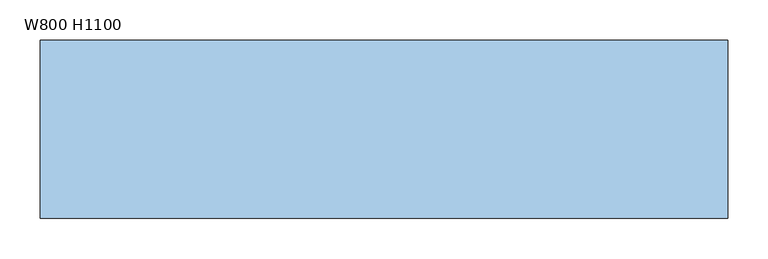
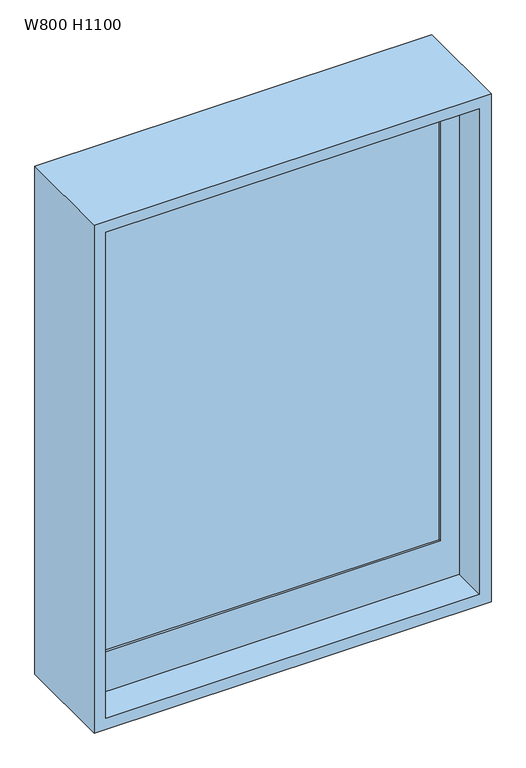
"""IFC4 building model written with IfcOpenShell, lengths in millimetres: window geometry, W800 H1100."""

from ifc_helpers import new_model, si_unit, frame, origin, place, context, project, spatial, polyline, outline, extrude, source, transform, mapped, element, save


def w800_h1100_2b598eca(model_context):
    return source(origin(), model_context, "Body", "SweptSolid", [
        extrude(outline(polyline([(-285.0, -30.0), (-285.0, -25.0), (435.0, -25.0), (435.0, -30.0), (-285.0, -30.0)])), frame((0.0, 0.0, 990.0), z_axis=(0.0, 0.0, 1.0), x_axis=(1.0, 0.0, 0.0)), (0.0, 0.0, 1.0), 970.0),
        extrude(outline(polyline([(2000.0, 475.0), (2000.0, -325.0), (900.0, -325.0), (900.0, 475.0), (2000.0, 475.0)]), holes=[polyline([(1960.0, 435.0), (990.0, 435.0), (990.0, -285.0), (1960.0, -285.0), (1960.0, 435.0)])]), frame((0.0, -35.0, 0.0), z_axis=(0.0, 1.0, 0.0), x_axis=(0.0, 0.0, 1.0)), (0.0, 0.0, 1.0), 30.0),
        extrude(outline(polyline([(875.0, 500.0), (2025.0, 500.0), (2025.0, -350.0), (875.0, -350.0), (875.0, 500.0)]), holes=[polyline([(2000.0, 475.0), (900.0, 475.0), (900.0, -325.0), (2000.0, -325.0), (2000.0, 475.0)])]), frame((0.0, -110.0, 0.0), z_axis=(0.0, 1.0, 0.0), x_axis=(0.0, 0.0, 1.0)), (0.0, 0.0, 1.0), 220.0),
    ])


if __name__ == "__main__":
    model = new_model("IFC4")
    model_context = context("Model", 3, world=origin())
    ifc_project = project(units=[si_unit("LENGTHUNIT", "METRE", prefix="MILLI")], contexts=[model_context])
    site = spatial("IfcSite", under=ifc_project)
    building = spatial("IfcBuilding", under=site)
    placement = place(None, origin())
    w800_h1100_shape = w800_h1100_2b598eca(model_context)
    element("IfcWindow", 1, ObjectType="W800 H1100", at=placement, inside=building, context=model_context, shape_type="MappedRepresentation", body=[
        mapped(w800_h1100_shape, transform((0.0, 0.0, 0.0), x_axis=(1.0, 0.0, 0.0), y_axis=(0.0, 1.0, 0.0), z_axis=(0.0, 0.0, 1.0))),
    ])
    save(model, "model.ifc")
